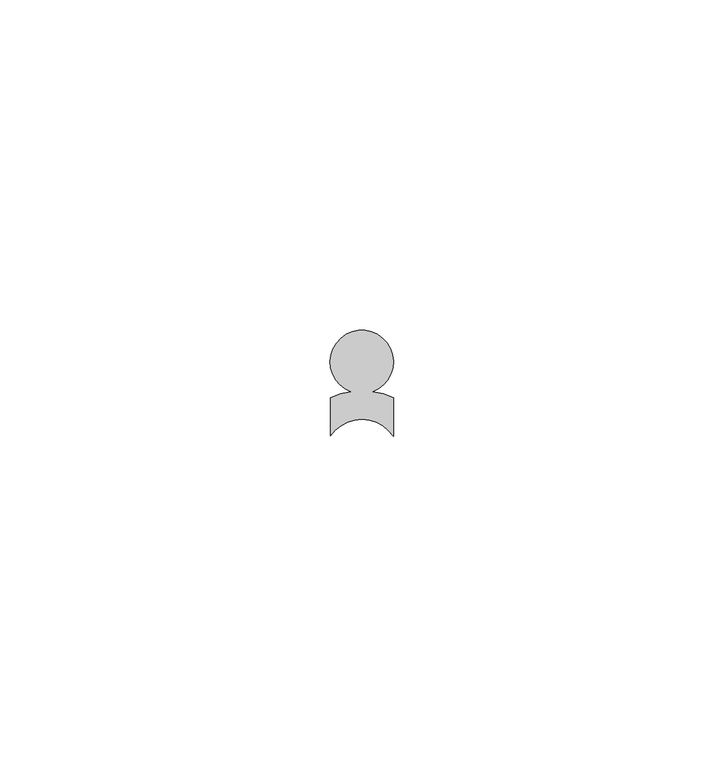
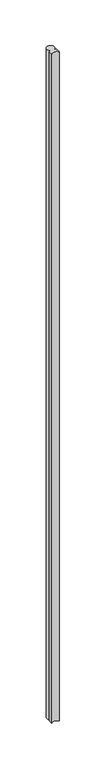
"""IFC4 building model written with IfcOpenShell, lengths in millimetres: proxy geometry."""

import ifcopenshell
import ifcopenshell.guid

model = None  # the IFC model being written
_history = None  # IfcOwnerHistory: only IFC2X3 demands one
_inside = {}  # id of a spatial element -> (the spatial element, [elements in it])
_under = {}  # id of a project, library or spatial element -> (it, [spatial elements below it])
_declared = {}  # id of a project -> (the project, [libraries it declares])
_typed = {}  # id of a type object -> (the type object, [elements of that type])
_made_of = {}  # id of a material, layer set ... -> (it, [elements and type objects made of it])


def new_model(schema):
    """Start an empty IFC model of exactly this schema.

    Asked for "IFC4X3", IfcOpenShell would pick the latest addendum, in which some entities
    have other attributes; the version numbers below select the first issue.
    IFC2X3 requires an IfcOwnerHistory on every rooted entity: one is made here for all.
    """
    global model, _history
    if schema == "IFC4X3":
        model = ifcopenshell.file(schema_version=(4, 3, 0, 0))
    else:
        model = ifcopenshell.file(schema=schema)
    _inside.clear()
    _under.clear()
    _declared.clear()
    _typed.clear()
    _made_of.clear()
    _history = None
    if model.schema == "IFC2X3":
        org = make("IfcOrganization", Name="unknown")
        user = make(
            "IfcPersonAndOrganization",
            ThePerson=make("IfcPerson", FamilyName="unknown"),
            TheOrganization=org,
        )
        app = make(
            "IfcApplication",
            ApplicationDeveloper=org,
            Version="unknown",
            ApplicationFullName="unknown",
            ApplicationIdentifier="unknown",
        )
        _history = make(
            "IfcOwnerHistory",
            OwningUser=user,
            OwningApplication=app,
            ChangeAction="ADDED",
            CreationDate=0,
        )
    return model


def make(cls, **values):
    """One entity of the class cls with the attributes given. An attribute that is None is left unset."""
    return model.create_entity(
        cls, **{name: value for name, value in values.items() if value is not None}
    )


def rooted(cls, **values):
    """An entity with a GlobalId (a new one), such as an element, a storey or a relation."""
    return make(cls, GlobalId=ifcopenshell.guid.new(), OwnerHistory=_history, **values)


def si_unit(unit_type, name, prefix=None):
    """IfcSIUnit, for example si_unit("LENGTHUNIT", "METRE", prefix="MILLI")."""
    return make("IfcSIUnit", UnitType=unit_type, Prefix=prefix, Name=name)


def assignment(units):
    """IfcUnitAssignment: the units of a project."""
    return None if units is None else make("IfcUnitAssignment", Units=units)


def point(xyz):
    """IfcCartesianPoint."""
    return None if xyz is None else make("IfcCartesianPoint", Coordinates=xyz)


def direction(xyz):
    """IfcDirection."""
    return None if xyz is None else make("IfcDirection", DirectionRatios=xyz)


def frame(location, z_axis=None, x_axis=None):
    """IfcAxis2Placement3D, a coordinate frame: its origin and axes. An axis left out is left unset."""
    return make(
        "IfcAxis2Placement3D",
        Location=point(location),
        Axis=direction(z_axis),
        RefDirection=direction(x_axis),
    )


def frame_2d(location, x_axis=None):
    """IfcAxis2Placement2D, a coordinate frame in the plane: its origin and x axis."""
    return make(
        "IfcAxis2Placement2D", Location=point(location), RefDirection=direction(x_axis)
    )


def origin():
    """The frame at (0, 0, 0) with its axes left unset."""
    return frame((0.0, 0.0, 0.0))


def place(relative_to, where):
    """IfcLocalPlacement: puts the frame where relative to a parent placement (None: the world)."""
    return make(
        "IfcLocalPlacement", PlacementRelTo=relative_to, RelativePlacement=where
    )


def context(
    kind, dimensions, precision=None, world=None, true_north=None, identifier=None
):
    """IfcGeometricRepresentationContext, for example the 3D "Model" context."""
    return make(
        "IfcGeometricRepresentationContext",
        ContextIdentifier=identifier,
        ContextType=kind,
        CoordinateSpaceDimension=dimensions,
        Precision=precision,
        WorldCoordinateSystem=world,
        TrueNorth=true_north,
    )


def project(units=None, contexts=None):
    """IfcProject with its units and contexts."""
    return rooted(
        "IfcProject",
        Name="project",
        RepresentationContexts=contexts,
        UnitsInContext=assignment(units),
    )


def spatial(cls, under=None, at=None, **own):
    """A site, building, storey or space (cls), placed at a placement, below another one or the project."""
    s = rooted(cls, ObjectPlacement=at, **own)
    if under is not None:
        _under.setdefault(under.id(), (under, []))[1].append(s)
    return s


def polyline(points):
    """IfcPolyline through the points."""
    return make("IfcPolyline", Points=[point(p) for p in points])


def circle_curve(where, radius):
    """IfcCircle in the frame where."""
    return make("IfcCircle", Position=where, Radius=radius)


def trimmed(basis, trim1, trim2, sense, master):
    """IfcTrimmedCurve: the piece of a basis curve between two trims."""
    return make(
        "IfcTrimmedCurve",
        BasisCurve=basis,
        Trim1=trim1,
        Trim2=trim2,
        SenseAgreement=sense,
        MasterRepresentation=master,
    )


def segment(curve, same_sense, transition):
    """IfcCompositeCurveSegment."""
    return make(
        "IfcCompositeCurveSegment",
        Transition=transition,
        SameSense=same_sense,
        ParentCurve=curve,
    )


def composite_curve(segments, self_intersect=None):
    """IfcCompositeCurve: segments joined end to end."""
    return make("IfcCompositeCurve", Segments=segments, SelfIntersect=self_intersect)


def outline(outer, holes=None, kind="AREA"):
    """IfcArbitraryClosedProfileDef: a profile drawn as a closed curve; with holes, ...WithVoids."""
    if holes is None:
        return make("IfcArbitraryClosedProfileDef", ProfileType=kind, OuterCurve=outer)
    return make(
        "IfcArbitraryProfileDefWithVoids",
        ProfileType=kind,
        OuterCurve=outer,
        InnerCurves=holes,
    )


def extrude(swept, where, along, depth):
    """IfcExtrudedAreaSolid: the profile swept, set in the frame where, extruded along a direction by depth."""
    return make(
        "IfcExtrudedAreaSolid",
        SweptArea=swept,
        Position=where,
        ExtrudedDirection=direction(along),
        Depth=depth,
    )


def shape(context_of_items, identifier, shape_type, items):
    """IfcShapeRepresentation: the items that make up one representation, for example the "Body"."""
    return make(
        "IfcShapeRepresentation",
        ContextOfItems=context_of_items,
        RepresentationIdentifier=identifier,
        RepresentationType=shape_type,
        Items=items,
    )


def source(mapping_origin, context_of_items, identifier, shape_type, items):
    """IfcRepresentationMap: a shape defined once, which mapped items show again and again."""
    return make(
        "IfcRepresentationMap",
        MappingOrigin=mapping_origin,
        MappedRepresentation=shape(context_of_items, identifier, shape_type, items),
    )


def transform(
    local_origin,
    x_axis=None,
    y_axis=None,
    z_axis=None,
    scale=None,
    scale2=None,
    scale3=None,
    uniform=True,
):
    """IfcCartesianTransformationOperator3D, or its non-uniform kind. x_axis, y_axis, z_axis: its Axis1, 2, 3."""
    if uniform:
        return make(
            "IfcCartesianTransformationOperator3D",
            Axis1=direction(x_axis),
            Axis2=direction(y_axis),
            LocalOrigin=point(local_origin),
            Scale=scale,
            Axis3=direction(z_axis),
        )
    return make(
        "IfcCartesianTransformationOperator3DnonUniform",
        Axis1=direction(x_axis),
        Axis2=direction(y_axis),
        LocalOrigin=point(local_origin),
        Scale=scale,
        Axis3=direction(z_axis),
        Scale2=scale2,
        Scale3=scale3,
    )


def mapped(mapping_source, mapping_target):
    """IfcMappedItem: shows the shape of a source again, moved by a transform."""
    return make(
        "IfcMappedItem", MappingSource=mapping_source, MappingTarget=mapping_target
    )


def made_of(thing, what):
    """Note that an element or type object is made of a material, layer set ...; save() writes the relation."""
    if what is not None:
        _made_of.setdefault(what.id(), (what, []))[1].append(thing)
    return thing


def element(
    cls,
    number,
    at=None,
    inside=None,
    cuts=None,
    type_object=None,
    material=None,
    context=None,
    identifier="Body",
    shape_type=None,
    held_by="IfcProductDefinitionShape",
    body=None,
    shapes=None,
    **own,
):
    """One element of the class cls, such as IfcWall. Its Tag is "e" and its number.

    at: its placement. inside: the storey or other place that contains it. cuts: it is an
    opening in that element (IfcRelVoidsElement). A single representation is given by context,
    identifier, shape_type and body (its items); several are given by shapes. held_by: the class
    of the entity that holds the representations. save() writes the other relations.
    """
    e = rooted(cls, Tag="e%d" % number, ObjectPlacement=at, **own)
    if body is not None:
        shapes = [shape(context, identifier, shape_type, body)]
    if shapes is not None:
        e.Representation = make(held_by, Representations=shapes)
    if inside is not None:
        _inside.setdefault(inside.id(), (inside, []))[1].append(e)
    if cuts is not None:
        rooted(
            "IfcRelVoidsElement", RelatingBuildingElement=cuts, RelatedOpeningElement=e
        )
    if type_object is not None:
        _typed.setdefault(type_object.id(), (type_object, []))[1].append(e)
    return made_of(e, material)


def aggregate(whole, parts):
    """IfcRelAggregates: a whole, such as a stair, and the parts it consists of."""
    return rooted("IfcRelAggregates", RelatingObject=whole, RelatedObjects=parts)


def save(model, path):
    """Write the relations noted so far, then the file.

    IfcRelAggregates (storeys below a building ...), IfcRelContainedInSpatialStructure (elements
    in a storey), IfcRelDefinesByType, IfcRelAssociatesMaterial and IfcRelDeclares: one each for
    every whole, place, type object, material and project.
    """
    for whole, parts in _under.values():
        aggregate(whole, parts)
    for where, things in _inside.values():
        rooted(
            "IfcRelContainedInSpatialStructure",
            RelatedElements=things,
            RelatingStructure=where,
        )
    for kind, things in _typed.values():
        rooted("IfcRelDefinesByType", RelatedObjects=things, RelatingType=kind)
    for what, things in _made_of.values():
        rooted("IfcRelAssociatesMaterial", RelatedObjects=things, RelatingMaterial=what)
    for by, libraries in _declared.values():
        rooted("IfcRelDeclares", RelatingContext=by, RelatedDefinitions=libraries)
    model.write(path)


def generic_models_c38be064(model_context):
    return source(origin(), model_context, "Body", "SweptSolid", [
        extrude(outline(composite_curve([segment(trimmed(circle_curve(frame_2d((37130.6121081, -21906.3547154)), 10.9602779), [point((37132.2506049, -21895.5176023))], [point((37135.3710168, -21896.481495))], False, "CARTESIAN"), True, "CONTINUOUS"), segment(polyline([(37135.3710168, -21896.481495), (37135.3710168, -21902.3237574)]), True, "CONTINUOUS"), segment(trimmed(circle_curve(frame_2d((37130.5792987, -21905.4889947)), 5.7427597), [point((37135.3710168, -21902.3237574))], [point((37125.8496081, -21902.2318002))], True, "CARTESIAN"), True, "CONTINUOUS"), segment(polyline([(37125.8496081, -21902.2318002), (37125.8496081, -21896.4832268)]), True, "CONTINUOUS"), segment(trimmed(circle_curve(frame_2d((37130.6121081, -21906.3547154)), 10.9602779), [point((37125.8496081, -21896.4832268))], [point((37128.9510536, -21895.5210369))], False, "CARTESIAN"), True, "CONTINUOUS"), segment(trimmed(circle_curve(frame_2d((37130.5961611, -21891.0347046)), 4.778447), [point((37128.9510536, -21895.5210369))], [point((37132.2506049, -21895.5176023))], False, "CARTESIAN"), True, "CONTINUOUS")], self_intersect=False)), frame((0.0, 0.0, 1524.0), z_axis=(0.0, 0.0, 1.0), x_axis=(1.0, 0.0, 0.0)), (0.0, 0.0, 1.0), 914.4),
    ])


if __name__ == "__main__":
    model = new_model("IFC4")
    model_context = context("Model", 3, world=origin())
    ifc_project = project(units=[si_unit("LENGTHUNIT", "METRE", prefix="MILLI")], contexts=[model_context])
    site = spatial("IfcSite", under=ifc_project)
    building = spatial("IfcBuilding", under=site)
    placement = place(None, origin())
    generic_models_shape = generic_models_c38be064(model_context)
    element("IfcBuildingElementProxy", 1, Name="Generic Models", at=placement, inside=building, context=model_context, shape_type="MappedRepresentation", body=[
        mapped(generic_models_shape, transform((0.0, 0.0, 0.0), x_axis=(1.0, 0.0, 0.0), y_axis=(0.0, 1.0, 0.0), z_axis=(0.0, 0.0, 1.0))),
    ])
    save(model, "model.ifc")
